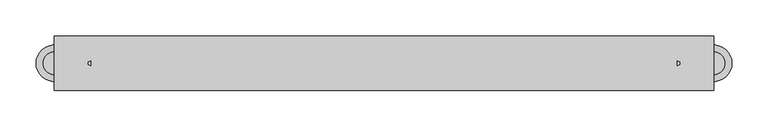
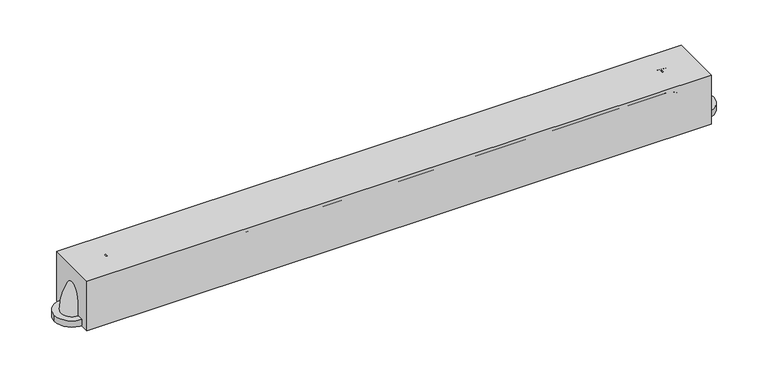
"""IFC4 building model written with IfcOpenShell, lengths in millimetres: proxy geometry."""

from ifc_helpers import new_model, si_unit, point, frame, frame_2d, origin, origin_with_axes, place, context, project, spatial, polyline, circle_curve, ellipse_curve, trimmed, segment, composite_curve, outline, extrude, source, transform, mapped, element, save
from ifc_brep_helpers import plane_surface, revolved_surface, advanced_brep


def specialty_equipment_7f5adf33(model_context):
    return source(origin(), model_context, "Body", "SolidModel", [
        advanced_brep(
        [(406.4, 15.875, 60.325), (406.4, -15.875, 60.325), (457.2, 15.875, 9.525), (457.2, -15.875, 9.525)],
        [
            (0, 1, circle_curve(frame((406.4, 0.0, 60.325), z_axis=(-1.0, 0.0, 0.0), x_axis=(0.0, -1.0, 0.0)), 15.875)),
            (1, 0, circle_curve(frame((406.4, 0.0, 60.325), z_axis=(-1.0, 0.0, 0.0), x_axis=(0.0, -1.0, 0.0)), 15.875)),
            (2, 3, circle_curve(frame((457.2, 0.0, 9.525), z_axis=(0.0, 0.0, -1.0), x_axis=(0.0, -1.0, 0.0)), 15.875)),
            (3, 2, circle_curve(frame((457.2, 0.0, 9.525), z_axis=(0.0, 0.0, -1.0), x_axis=(0.0, -1.0, 0.0)), 15.875)),
            (2, 0, circle_curve(frame((406.4, 15.875, 9.525), z_axis=(0.0, -1.0, 0.0), x_axis=(0.0, 0.0, 1.0)), 50.8)),
            (1, 3, circle_curve(frame((406.4, -15.875, 9.525), z_axis=(0.0, 1.0, 0.0), x_axis=(0.0, 0.0, 1.0)), 50.8)),
        ],
        [
            plane_surface(frame((406.4, 0.0, 60.325), z_axis=(-1.0, 0.0, 0.0), x_axis=(0.0, -1.0, 0.0))),
            plane_surface(frame((457.2, 0.0, 9.525), z_axis=(0.0, 0.0, -1.0), x_axis=(0.0, -1.0, 0.0))),
            revolved_surface(trimmed(ellipse_curve(frame((406.4, 0.0, 60.325), z_axis=(1.0, 0.0, 0.0), x_axis=(0.0, -1.0, 0.0)), 15.875, 15.875), [point((406.4, 15.875, 60.325))], [point((406.4, -15.875, 60.325))], True, "CARTESIAN"), (406.4, 0.0, 9.525), (0.0, -1.0, 0.0)),
            revolved_surface(trimmed(ellipse_curve(frame((406.4, 0.0, 60.325), z_axis=(1.0, 0.0, 0.0), x_axis=(0.0, -1.0, 0.0)), 15.875, 15.875), [point((406.4, -15.875, 60.325))], [point((406.4, 15.875, 60.325))], True, "CARTESIAN"), (406.4, 0.0, 9.525), (0.0, -1.0, 0.0)),
        ],
        [
            (0, [[1, 2]]),
            (1, [[3, 4]]),
            (2, [[-3, 5, -2, 6]]),
            (3, [[-4, -6, -1, -5]]),
        ],
    ),
        extrude(outline(composite_curve([segment(trimmed(circle_curve(frame_2d((457.2, 0.0)), 25.4), [point((482.6, 0.0))], [point((431.8, 0.0))], False, "CARTESIAN"), True, "CONTINUOUS"), segment(trimmed(circle_curve(frame_2d((457.2, 0.0)), 25.4), [point((431.8, 0.0))], [point((482.6, 0.0))], False, "CARTESIAN"), True, "CONTINUOUS")], self_intersect=False)), origin_with_axes(), (0.0, 0.0, 1.0), 9.525),
        advanced_brep(
        [(-406.4, 15.875, 60.325), (-406.4, -15.875, 60.325), (-457.2, 15.875, 9.525), (-457.2, -15.875, 9.525)],
        [
            (0, 1, circle_curve(frame((-406.4, 0.0, 60.325), z_axis=(1.0, 0.0, 0.0), x_axis=(0.0, -1.0, 0.0)), 15.875)),
            (1, 0, circle_curve(frame((-406.4, 0.0, 60.325), z_axis=(1.0, 0.0, 0.0), x_axis=(0.0, -1.0, 0.0)), 15.875)),
            (2, 3, circle_curve(frame((-457.2, 0.0, 9.525), z_axis=(0.0, 0.0, -1.0), x_axis=(0.0, -1.0, 0.0)), 15.875)),
            (3, 2, circle_curve(frame((-457.2, 0.0, 9.525), z_axis=(0.0, 0.0, -1.0), x_axis=(0.0, -1.0, 0.0)), 15.875)),
            (3, 1, circle_curve(frame((-406.4, -15.875, 9.525), z_axis=(0.0, 1.0, 0.0), x_axis=(0.0, 0.0, 1.0)), 50.8)),
            (0, 2, circle_curve(frame((-406.4, 15.875, 9.525), z_axis=(0.0, -1.0, 0.0), x_axis=(0.0, 0.0, 1.0)), 50.8)),
        ],
        [
            plane_surface(frame((-406.4, 0.0, 60.325), z_axis=(1.0, 0.0, 0.0), x_axis=(0.0, -1.0, 0.0))),
            plane_surface(frame((-457.2, 0.0, 9.525), z_axis=(0.0, 0.0, -1.0), x_axis=(0.0, -1.0, 0.0))),
            revolved_surface(trimmed(ellipse_curve(frame((-406.4, 0.0, 60.325), z_axis=(1.0, 0.0, 0.0), x_axis=(0.0, -1.0, 0.0)), 15.875, 15.875), [point((-406.4, 15.875, 60.325))], [point((-406.4, -15.875, 60.325))], True, "CARTESIAN"), (-406.4, 0.0, 9.525), (0.0, -1.0, 0.0)),
            revolved_surface(trimmed(ellipse_curve(frame((-406.4, 0.0, 60.325), z_axis=(1.0, 0.0, 0.0), x_axis=(0.0, -1.0, 0.0)), 15.875, 15.875), [point((-406.4, -15.875, 60.325))], [point((-406.4, 15.875, 60.325))], True, "CARTESIAN"), (-406.4, 0.0, 9.525), (0.0, -1.0, 0.0)),
        ],
        [
            (0, [[1, 2]]),
            (1, [[3, 4]]),
            (2, [[5, -1, 6, -4]]),
            (3, [[-6, -2, -5, -3]]),
        ],
    ),
        extrude(outline(composite_curve([segment(trimmed(circle_curve(frame_2d((-457.2, 0.0)), 25.4), [point((-482.6, 0.0))], [point((-431.8, 0.0))], False, "CARTESIAN"), True, "CONTINUOUS"), segment(trimmed(circle_curve(frame_2d((-457.2, 0.0)), 25.4), [point((-431.8, 0.0))], [point((-482.6, 0.0))], False, "CARTESIAN"), True, "CONTINUOUS")], self_intersect=False)), origin_with_axes(), (0.0, 0.0, 1.0), 9.525),
        extrude(outline(polyline([(457.2, -38.1), (-457.2, -38.1), (-457.2, 38.1), (457.2, 38.1), (457.2, -38.1)])), origin_with_axes(), (0.0, 0.0, 1.0), 76.2),
        extrude(outline(composite_curve([segment(trimmed(circle_curve(frame_2d((0.0, 60.325)), 15.875), [point((-15.875, 60.325))], [point((15.875, 60.325))], False, "CARTESIAN"), True, "CONTINUOUS"), segment(trimmed(circle_curve(frame_2d((0.0, 60.325)), 15.875), [point((15.875, 60.325))], [point((-15.875, 60.325))], False, "CARTESIAN"), True, "CONTINUOUS")], self_intersect=False)), frame((-406.4, 0.0, 0.0), z_axis=(1.0, 0.0, 0.0), x_axis=(0.0, 1.0, 0.0)), (0.0, 0.0, 1.0), 812.8),
    ])


if __name__ == "__main__":
    model = new_model("IFC4")
    model_context = context("Model", 3, world=origin())
    ifc_project = project(units=[si_unit("LENGTHUNIT", "METRE", prefix="MILLI")], contexts=[model_context])
    site = spatial("IfcSite", under=ifc_project)
    building = spatial("IfcBuilding", under=site)
    placement = place(None, origin())
    specialty_equipment_shape = specialty_equipment_7f5adf33(model_context)
    element("IfcBuildingElementProxy", 1, Name="Specialty Equipment", at=placement, inside=building, context=model_context, shape_type="MappedRepresentation", body=[
        mapped(specialty_equipment_shape, transform((0.0, 0.0, 0.0), x_axis=(1.0, 0.0, 0.0), y_axis=(0.0, 1.0, 0.0), z_axis=(0.0, 0.0, 1.0))),
    ])
    save(model, "model.ifc")
